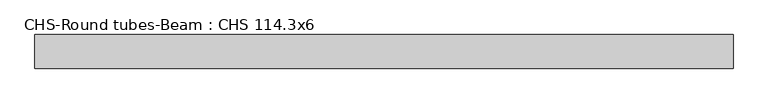
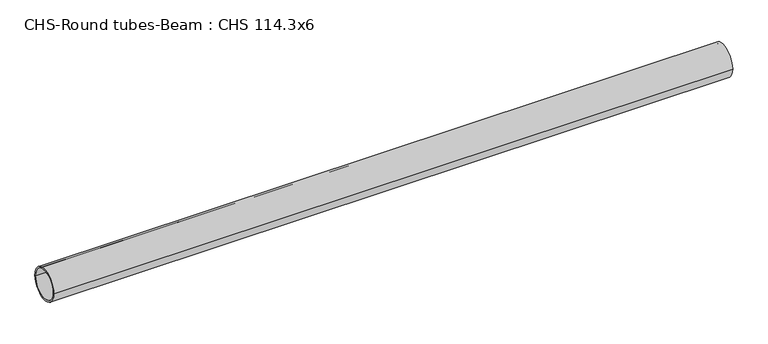
"""IFC4 building model written with IfcOpenShell, lengths in millimetres: beam geometry, CHS-Round tubes-Beam : CHS 114.3x6."""

from ifc_helpers import new_model, si_unit, point, frame, origin, origin_2d, place, context, project, spatial, circle_curve, trimmed, segment, composite_curve, outline, extrude, source, transform, mapped, element, save


def chs_round_tubes_beam_chs_114_3x6_4e31a255(model_context):
    return source(origin(), model_context, "Body", "SweptSolid", [
        extrude(outline(composite_curve([segment(trimmed(circle_curve(origin_2d(), 57.15), [point((57.15, 0.0))], [point((-57.15, 0.0))], False, "CARTESIAN"), True, "CONTINUOUS"), segment(trimmed(circle_curve(origin_2d(), 57.15), [point((-57.15, 0.0))], [point((57.15, 0.0))], False, "CARTESIAN"), True, "CONTINUOUS")], self_intersect=False), holes=[composite_curve([segment(trimmed(circle_curve(origin_2d(), 51.15), [point((51.15, 0.0))], [point((-51.15, 0.0))], True, "CARTESIAN"), True, "CONTINUOUS"), segment(trimmed(circle_curve(origin_2d(), 51.15), [point((-51.15, 0.0))], [point((51.15, 0.0))], True, "CARTESIAN"), True, "CONTINUOUS")], self_intersect=False)]), frame((-1130.4465402, 0.0, 0.0), z_axis=(1.0, 0.0, 0.0), x_axis=(0.0, 1.0, 0.0)), (0.0, 0.0, 1.0), 2373.3603337),
    ])


if __name__ == "__main__":
    model = new_model("IFC4")
    model_context = context("Model", 3, world=origin())
    ifc_project = project(units=[si_unit("LENGTHUNIT", "METRE", prefix="MILLI")], contexts=[model_context])
    site = spatial("IfcSite", under=ifc_project)
    building = spatial("IfcBuilding", under=site)
    placement = place(None, origin())
    chs_round_tubes_beam_chs_114_3x6_shape = chs_round_tubes_beam_chs_114_3x6_4e31a255(model_context)
    element("IfcBeam", 1, ObjectType="CHS-Round tubes-Beam : CHS 114.3x6", at=placement, inside=building, context=model_context, shape_type="MappedRepresentation", body=[
        mapped(chs_round_tubes_beam_chs_114_3x6_shape, transform((0.0, 0.0, 0.0), x_axis=(1.0, 0.0, 0.0), y_axis=(0.0, 1.0, 0.0), z_axis=(0.0, 0.0, 1.0))),
    ])
    save(model, "model.ifc")
